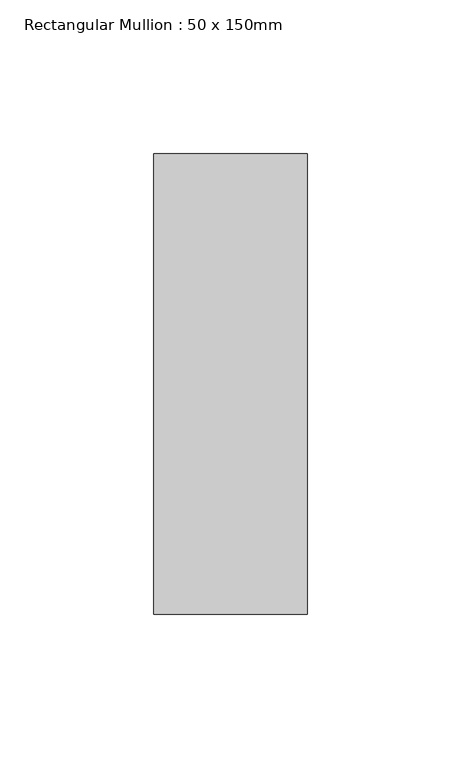
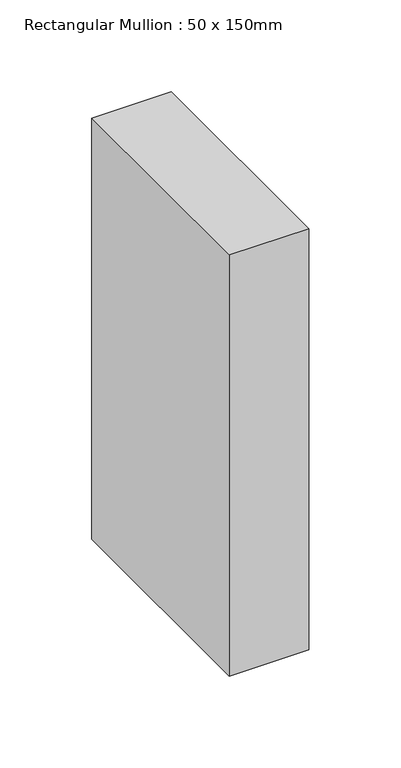
"""IFC4 building model written with IfcOpenShell, lengths in millimetres: member geometry, Rectangular Mullion : 50 x 150mm."""

from ifc_helpers import new_model, si_unit, frame, origin, place, context, project, spatial, polyline, outline, extrude, source, transform, mapped, element, save


def rectangular_mullion_50_x_150mm_dbe918e4(model_context):
    return source(origin(), model_context, "Body", "SweptSolid", [
        extrude(outline(polyline([(0.0, 75.0), (0.0, -75.0), (-50.0, -75.0), (-50.0, 75.0), (0.0, 75.0)])), frame((0.0, 0.0, -280.217757), z_axis=(0.0, 0.0, 1.0), x_axis=(1.0, 0.0, 0.0)), (0.0, 0.0, 1.0), 280.217757),
    ])


if __name__ == "__main__":
    model = new_model("IFC4")
    model_context = context("Model", 3, world=origin())
    ifc_project = project(units=[si_unit("LENGTHUNIT", "METRE", prefix="MILLI")], contexts=[model_context])
    site = spatial("IfcSite", under=ifc_project)
    building = spatial("IfcBuilding", under=site)
    placement = place(None, origin())
    rectangular_mullion_50_x_150mm_shape = rectangular_mullion_50_x_150mm_dbe918e4(model_context)
    element("IfcMember", 1, ObjectType="Rectangular Mullion : 50 x 150mm", at=placement, inside=building, context=model_context, shape_type="MappedRepresentation", body=[
        mapped(rectangular_mullion_50_x_150mm_shape, transform((0.0, 0.0, 0.0), x_axis=(1.0, 0.0, 0.0), y_axis=(0.0, 1.0, 0.0), z_axis=(0.0, 0.0, 1.0))),
    ])
    save(model, "model.ifc")
